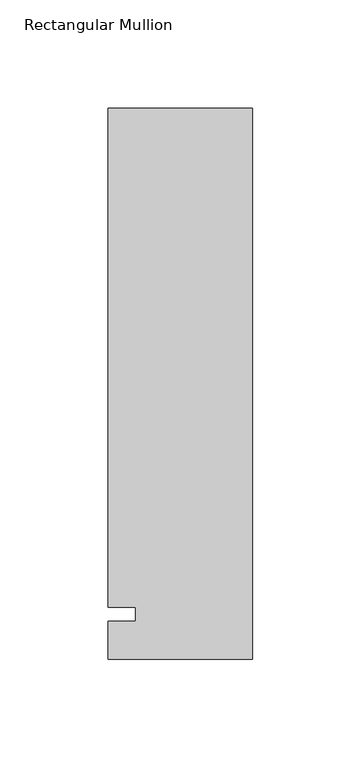
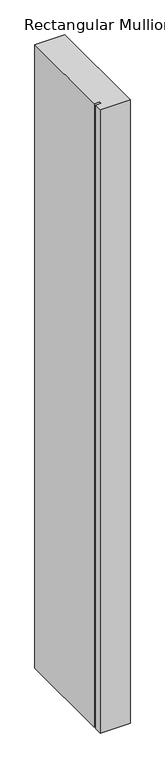
"""IFC4 building model written with IfcOpenShell, lengths in millimetres: member geometry, Rectangular Mullion."""

from ifc_helpers import new_model, si_unit, frame, origin, place, context, project, spatial, polyline, outline, extrude, source, transform, mapped, element, save


def rectangular_mullion_f35be982(model_context):
    return source(origin(), model_context, "Body", "SweptSolid", [
        extrude(outline(polyline([(-66.675, 233.3625), (0.0, 233.3625), (0.0, -20.6375), (-66.675, -20.6375), (-66.675, -3.175), (-53.9732296, -3.175), (-53.9732296, 3.175), (-66.675, 3.175), (-66.675, 233.3625)])), frame((0.0, 0.0, -1478.28), z_axis=(0.0, 0.0, 1.0), x_axis=(1.0, 0.0, 0.0)), (0.0, 0.0, 1.0), 1478.28),
    ])


if __name__ == "__main__":
    model = new_model("IFC4")
    model_context = context("Model", 3, world=origin())
    ifc_project = project(units=[si_unit("LENGTHUNIT", "METRE", prefix="MILLI")], contexts=[model_context])
    site = spatial("IfcSite", under=ifc_project)
    building = spatial("IfcBuilding", under=site)
    placement = place(None, origin())
    rectangular_mullion_shape = rectangular_mullion_f35be982(model_context)
    element("IfcMember", 1, ObjectType="Rectangular Mullion", at=placement, inside=building, context=model_context, shape_type="MappedRepresentation", body=[
        mapped(rectangular_mullion_shape, transform((0.0, 0.0, 0.0), x_axis=(1.0, 0.0, 0.0), y_axis=(0.0, 1.0, 0.0), z_axis=(0.0, 0.0, 1.0))),
    ])
    save(model, "model.ifc")
